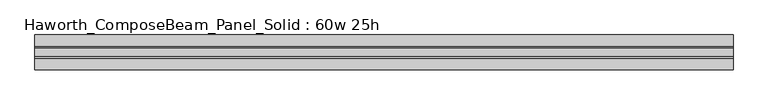
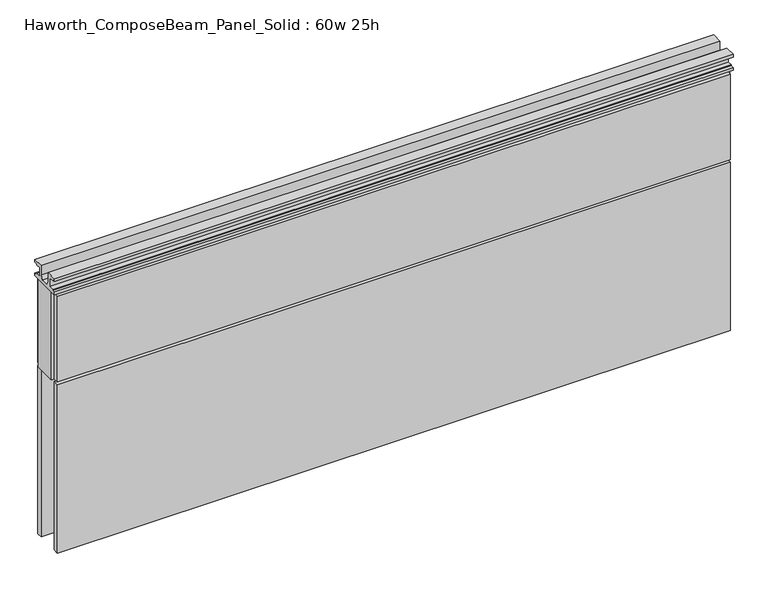
"""IFC4 building model written with IfcOpenShell, lengths in millimetres: furniture geometry, Haworth_ComposeBeam_Panel_Solid : 60w 25h."""

import ifcopenshell
import ifcopenshell.guid

model = None  # the IFC model being written
_history = None  # IfcOwnerHistory: only IFC2X3 demands one
_inside = {}  # id of a spatial element -> (the spatial element, [elements in it])
_under = {}  # id of a project, library or spatial element -> (it, [spatial elements below it])
_declared = {}  # id of a project -> (the project, [libraries it declares])
_typed = {}  # id of a type object -> (the type object, [elements of that type])
_made_of = {}  # id of a material, layer set ... -> (it, [elements and type objects made of it])


def new_model(schema):
    """Start an empty IFC model of exactly this schema.

    Asked for "IFC4X3", IfcOpenShell would pick the latest addendum, in which some entities
    have other attributes; the version numbers below select the first issue.
    IFC2X3 requires an IfcOwnerHistory on every rooted entity: one is made here for all.
    """
    global model, _history
    if schema == "IFC4X3":
        model = ifcopenshell.file(schema_version=(4, 3, 0, 0))
    else:
        model = ifcopenshell.file(schema=schema)
    _inside.clear()
    _under.clear()
    _declared.clear()
    _typed.clear()
    _made_of.clear()
    _history = None
    if model.schema == "IFC2X3":
        org = make("IfcOrganization", Name="unknown")
        user = make(
            "IfcPersonAndOrganization",
            ThePerson=make("IfcPerson", FamilyName="unknown"),
            TheOrganization=org,
        )
        app = make(
            "IfcApplication",
            ApplicationDeveloper=org,
            Version="unknown",
            ApplicationFullName="unknown",
            ApplicationIdentifier="unknown",
        )
        _history = make(
            "IfcOwnerHistory",
            OwningUser=user,
            OwningApplication=app,
            ChangeAction="ADDED",
            CreationDate=0,
        )
    return model


def make(cls, **values):
    """One entity of the class cls with the attributes given. An attribute that is None is left unset."""
    return model.create_entity(
        cls, **{name: value for name, value in values.items() if value is not None}
    )


def rooted(cls, **values):
    """An entity with a GlobalId (a new one), such as an element, a storey or a relation."""
    return make(cls, GlobalId=ifcopenshell.guid.new(), OwnerHistory=_history, **values)


def si_unit(unit_type, name, prefix=None):
    """IfcSIUnit, for example si_unit("LENGTHUNIT", "METRE", prefix="MILLI")."""
    return make("IfcSIUnit", UnitType=unit_type, Prefix=prefix, Name=name)


def assignment(units):
    """IfcUnitAssignment: the units of a project."""
    return None if units is None else make("IfcUnitAssignment", Units=units)


def point(xyz):
    """IfcCartesianPoint."""
    return None if xyz is None else make("IfcCartesianPoint", Coordinates=xyz)


def direction(xyz):
    """IfcDirection."""
    return None if xyz is None else make("IfcDirection", DirectionRatios=xyz)


def frame(location, z_axis=None, x_axis=None):
    """IfcAxis2Placement3D, a coordinate frame: its origin and axes. An axis left out is left unset."""
    return make(
        "IfcAxis2Placement3D",
        Location=point(location),
        Axis=direction(z_axis),
        RefDirection=direction(x_axis),
    )


def origin():
    """The frame at (0, 0, 0) with its axes left unset."""
    return frame((0.0, 0.0, 0.0))


def place(relative_to, where):
    """IfcLocalPlacement: puts the frame where relative to a parent placement (None: the world)."""
    return make(
        "IfcLocalPlacement", PlacementRelTo=relative_to, RelativePlacement=where
    )


def context(
    kind, dimensions, precision=None, world=None, true_north=None, identifier=None
):
    """IfcGeometricRepresentationContext, for example the 3D "Model" context."""
    return make(
        "IfcGeometricRepresentationContext",
        ContextIdentifier=identifier,
        ContextType=kind,
        CoordinateSpaceDimension=dimensions,
        Precision=precision,
        WorldCoordinateSystem=world,
        TrueNorth=true_north,
    )


def project(units=None, contexts=None):
    """IfcProject with its units and contexts."""
    return rooted(
        "IfcProject",
        Name="project",
        RepresentationContexts=contexts,
        UnitsInContext=assignment(units),
    )


def spatial(cls, under=None, at=None, **own):
    """A site, building, storey or space (cls), placed at a placement, below another one or the project."""
    s = rooted(cls, ObjectPlacement=at, **own)
    if under is not None:
        _under.setdefault(under.id(), (under, []))[1].append(s)
    return s


def polyline(points):
    """IfcPolyline through the points."""
    return make("IfcPolyline", Points=[point(p) for p in points])


def outline(outer, holes=None, kind="AREA"):
    """IfcArbitraryClosedProfileDef: a profile drawn as a closed curve; with holes, ...WithVoids."""
    if holes is None:
        return make("IfcArbitraryClosedProfileDef", ProfileType=kind, OuterCurve=outer)
    return make(
        "IfcArbitraryProfileDefWithVoids",
        ProfileType=kind,
        OuterCurve=outer,
        InnerCurves=holes,
    )


def extrude(swept, where, along, depth):
    """IfcExtrudedAreaSolid: the profile swept, set in the frame where, extruded along a direction by depth."""
    return make(
        "IfcExtrudedAreaSolid",
        SweptArea=swept,
        Position=where,
        ExtrudedDirection=direction(along),
        Depth=depth,
    )


def shape(context_of_items, identifier, shape_type, items):
    """IfcShapeRepresentation: the items that make up one representation, for example the "Body"."""
    return make(
        "IfcShapeRepresentation",
        ContextOfItems=context_of_items,
        RepresentationIdentifier=identifier,
        RepresentationType=shape_type,
        Items=items,
    )


def source(mapping_origin, context_of_items, identifier, shape_type, items):
    """IfcRepresentationMap: a shape defined once, which mapped items show again and again."""
    return make(
        "IfcRepresentationMap",
        MappingOrigin=mapping_origin,
        MappedRepresentation=shape(context_of_items, identifier, shape_type, items),
    )


def transform(
    local_origin,
    x_axis=None,
    y_axis=None,
    z_axis=None,
    scale=None,
    scale2=None,
    scale3=None,
    uniform=True,
):
    """IfcCartesianTransformationOperator3D, or its non-uniform kind. x_axis, y_axis, z_axis: its Axis1, 2, 3."""
    if uniform:
        return make(
            "IfcCartesianTransformationOperator3D",
            Axis1=direction(x_axis),
            Axis2=direction(y_axis),
            LocalOrigin=point(local_origin),
            Scale=scale,
            Axis3=direction(z_axis),
        )
    return make(
        "IfcCartesianTransformationOperator3DnonUniform",
        Axis1=direction(x_axis),
        Axis2=direction(y_axis),
        LocalOrigin=point(local_origin),
        Scale=scale,
        Axis3=direction(z_axis),
        Scale2=scale2,
        Scale3=scale3,
    )


def mapped(mapping_source, mapping_target):
    """IfcMappedItem: shows the shape of a source again, moved by a transform."""
    return make(
        "IfcMappedItem", MappingSource=mapping_source, MappingTarget=mapping_target
    )


def made_of(thing, what):
    """Note that an element or type object is made of a material, layer set ...; save() writes the relation."""
    if what is not None:
        _made_of.setdefault(what.id(), (what, []))[1].append(thing)
    return thing


def element(
    cls,
    number,
    at=None,
    inside=None,
    cuts=None,
    type_object=None,
    material=None,
    context=None,
    identifier="Body",
    shape_type=None,
    held_by="IfcProductDefinitionShape",
    body=None,
    shapes=None,
    **own,
):
    """One element of the class cls, such as IfcWall. Its Tag is "e" and its number.

    at: its placement. inside: the storey or other place that contains it. cuts: it is an
    opening in that element (IfcRelVoidsElement). A single representation is given by context,
    identifier, shape_type and body (its items); several are given by shapes. held_by: the class
    of the entity that holds the representations. save() writes the other relations.
    """
    e = rooted(cls, Tag="e%d" % number, ObjectPlacement=at, **own)
    if body is not None:
        shapes = [shape(context, identifier, shape_type, body)]
    if shapes is not None:
        e.Representation = make(held_by, Representations=shapes)
    if inside is not None:
        _inside.setdefault(inside.id(), (inside, []))[1].append(e)
    if cuts is not None:
        rooted(
            "IfcRelVoidsElement", RelatingBuildingElement=cuts, RelatedOpeningElement=e
        )
    if type_object is not None:
        _typed.setdefault(type_object.id(), (type_object, []))[1].append(e)
    return made_of(e, material)


def aggregate(whole, parts):
    """IfcRelAggregates: a whole, such as a stair, and the parts it consists of."""
    return rooted("IfcRelAggregates", RelatingObject=whole, RelatedObjects=parts)


def save(model, path):
    """Write the relations noted so far, then the file.

    IfcRelAggregates (storeys below a building ...), IfcRelContainedInSpatialStructure (elements
    in a storey), IfcRelDefinesByType, IfcRelAssociatesMaterial and IfcRelDeclares: one each for
    every whole, place, type object, material and project.
    """
    for whole, parts in _under.values():
        aggregate(whole, parts)
    for where, things in _inside.values():
        rooted(
            "IfcRelContainedInSpatialStructure",
            RelatedElements=things,
            RelatingStructure=where,
        )
    for kind, things in _typed.values():
        rooted("IfcRelDefinesByType", RelatedObjects=things, RelatingType=kind)
    for what, things in _made_of.values():
        rooted("IfcRelAssociatesMaterial", RelatedObjects=things, RelatingMaterial=what)
    for by, libraries in _declared.values():
        rooted("IfcRelDeclares", RelatingContext=by, RelatedDefinitions=libraries)
    model.write(path)


def haworth_composebeam_panel_solid_60w_25h_0af05b6a(model_context):
    return source(origin(), model_context, "Body", "SweptSolid", [
        extrude(outline(polyline([(38.1, 673.1), (30.6197, 673.1), (30.6197, 670.8139719), (19.6976996, 670.8139719), (19.6976996, 649.9860281), (30.6197, 649.9860281), (30.6197, 647.7), (38.0999989, 647.7), (38.0999989, 641.35), (-38.1000011, 641.35), (-38.1000011, 647.7), (-30.6197023, 647.7), (-30.6197023, 649.9860281), (-19.6977019, 649.9860281), (-19.6977019, 670.8139719), (-30.6197023, 670.8139719), (-30.6197023, 673.1), (-38.1000023, 673.1), (-38.1000023, 679.45), (-13.5001026, 679.45), (-13.5001026, 657.6828071), (-8.7648498, 647.7), (8.7648475, 647.7), (13.5001003, 657.6828071), (13.5001003, 679.45), (38.1, 679.45), (38.1, 673.1)])), frame((-759.5597098, 0.0, 0.0), z_axis=(1.0, 0.0, 0.0), x_axis=(0.0, 1.0, 0.0)), (0.0, 0.0, 1.0), 1524.0),
        extrude(outline(polyline([(764.4402902, 25.4), (764.4402902, -25.4), (-759.5597098, -25.4), (-759.5597098, 25.4), (764.4402902, 25.4)])), frame((0.0, 0.0, 431.8), z_axis=(0.0, 0.0, 1.0), x_axis=(1.0, 0.0, 0.0)), (0.0, 0.0, 1.0), 209.55),
        extrude(outline(polyline([(-753.2097098, 25.4), (-753.2097098, 38.1), (758.0902902, 38.1), (758.0902902, 25.4), (-753.2097098, 25.4)])), frame((0.0, 0.0, 431.8), z_axis=(0.0, 0.0, 1.0), x_axis=(1.0, 0.0, 0.0)), (0.0, 0.0, 1.0), 203.2),
        extrude(outline(polyline([(-753.2097098, 25.4), (-753.2097098, 38.1), (758.0902902, 38.1), (758.0902902, 25.4), (-753.2097098, 25.4)])), frame((0.0, 0.0, 25.4), z_axis=(0.0, 0.0, 1.0), x_axis=(1.0, 0.0, 0.0)), (0.0, 0.0, 1.0), 400.05),
        extrude(outline(polyline([(-753.2097098, -38.1), (-753.2097098, -25.4), (758.0902902, -25.4), (758.0902902, -38.1), (-753.2097098, -38.1)])), frame((0.0, 0.0, 431.8), z_axis=(0.0, 0.0, 1.0), x_axis=(1.0, 0.0, 0.0)), (0.0, 0.0, 1.0), 203.2),
        extrude(outline(polyline([(-753.2097098, -38.1), (-753.2097098, -25.4), (758.0902902, -25.4), (758.0902902, -38.1), (-753.2097098, -38.1)])), frame((0.0, 0.0, 25.4), z_axis=(0.0, 0.0, 1.0), x_axis=(1.0, 0.0, 0.0)), (0.0, 0.0, 1.0), 400.05),
    ])


if __name__ == "__main__":
    model = new_model("IFC4")
    model_context = context("Model", 3, world=origin())
    ifc_project = project(units=[si_unit("LENGTHUNIT", "METRE", prefix="MILLI")], contexts=[model_context])
    site = spatial("IfcSite", under=ifc_project)
    building = spatial("IfcBuilding", under=site)
    placement = place(None, origin())
    haworth_composebeam_panel_solid_60w_25h_shape = haworth_composebeam_panel_solid_60w_25h_0af05b6a(model_context)
    element("IfcFurniture", 1, ObjectType="Haworth_ComposeBeam_Panel_Solid : 60w 25h", at=placement, inside=building, context=model_context, shape_type="MappedRepresentation", body=[
        mapped(haworth_composebeam_panel_solid_60w_25h_shape, transform((0.0, 0.0, 0.0), x_axis=(1.0, 0.0, 0.0), y_axis=(0.0, 1.0, 0.0), z_axis=(0.0, 0.0, 1.0))),
    ])
    save(model, "model.ifc")
